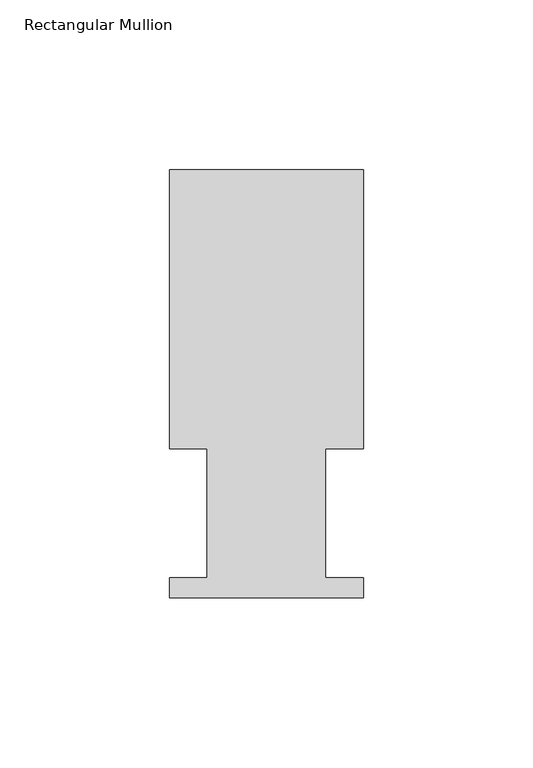
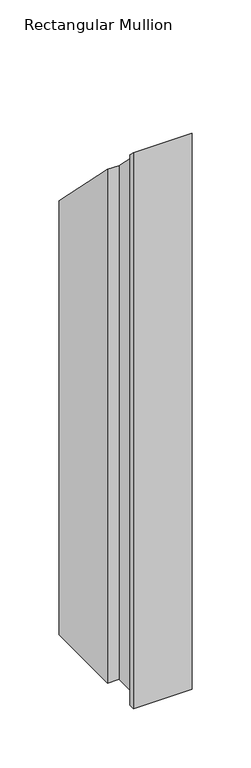
"""IFC4 building model written with IfcOpenShell, lengths in millimetres: member geometry, Rectangular Mullion."""

from ifc_helpers import new_model, si_unit, origin, place, context, project, spatial, faceted_brep, source, transform, mapped, element, save


def rectangular_mullion_93998cf0(model_context):
    return source(origin(), model_context, "Body", "Brep", [
        faceted_brep([(0.0, 126.619, -574.675), (0.0, 44.45, -574.675), (-11.1120704, 44.45, -574.675), (-11.1120704, 6.35, -574.675), (0.0, 6.35, -574.675), (0.0, 0.4064, -574.675), (-57.15, 0.4064, -574.675), (-57.15, 6.35, -574.675), (-46.0370705, 6.35, -574.675), (-46.0370705, 44.45, -574.675), (-57.15, 44.45, -574.675), (-57.15, 126.619, -574.675), (-57.15, 126.619, -126.619), (0.0, 126.619, -126.619), (-57.15, 44.45, -44.45), (-46.0370705, 44.45, -44.45), (-46.0370705, 6.35, -6.35), (-57.15, 6.35, -6.35), (-57.15, 0.4064, -0.4064), (0.0, 0.4064, -0.4064), (0.0, 6.35, -6.35), (-11.1120704, 6.35, -6.35), (-11.1120704, 44.45, -44.45), (0.0, 44.45, -44.45)], [[[0, 1, 2, 3, 4, 5, 6, 7, 8, 9, 10, 11]], [[12, 13, 0, 11]], [[14, 12, 11, 10]], [[15, 14, 10, 9]], [[16, 15, 9, 8]], [[17, 16, 8, 7]], [[18, 17, 7, 6]], [[19, 18, 6, 5]], [[20, 19, 5, 4]], [[21, 20, 4, 3]], [[22, 21, 3, 2]], [[23, 22, 2, 1]], [[13, 23, 1, 0]], [[13, 12, 14, 15, 16, 17, 18, 19, 20, 21, 22, 23]]]),
    ])


if __name__ == "__main__":
    model = new_model("IFC4")
    model_context = context("Model", 3, world=origin())
    ifc_project = project(units=[si_unit("LENGTHUNIT", "METRE", prefix="MILLI")], contexts=[model_context])
    site = spatial("IfcSite", under=ifc_project)
    building = spatial("IfcBuilding", under=site)
    placement = place(None, origin())
    rectangular_mullion_shape = rectangular_mullion_93998cf0(model_context)
    element("IfcMember", 1, ObjectType="Rectangular Mullion", at=placement, inside=building, context=model_context, shape_type="MappedRepresentation", body=[
        mapped(rectangular_mullion_shape, transform((0.0, 0.0, 0.0), x_axis=(1.0, 0.0, 0.0), y_axis=(0.0, 1.0, 0.0), z_axis=(0.0, 0.0, 1.0))),
    ])
    save(model, "model.ifc")
